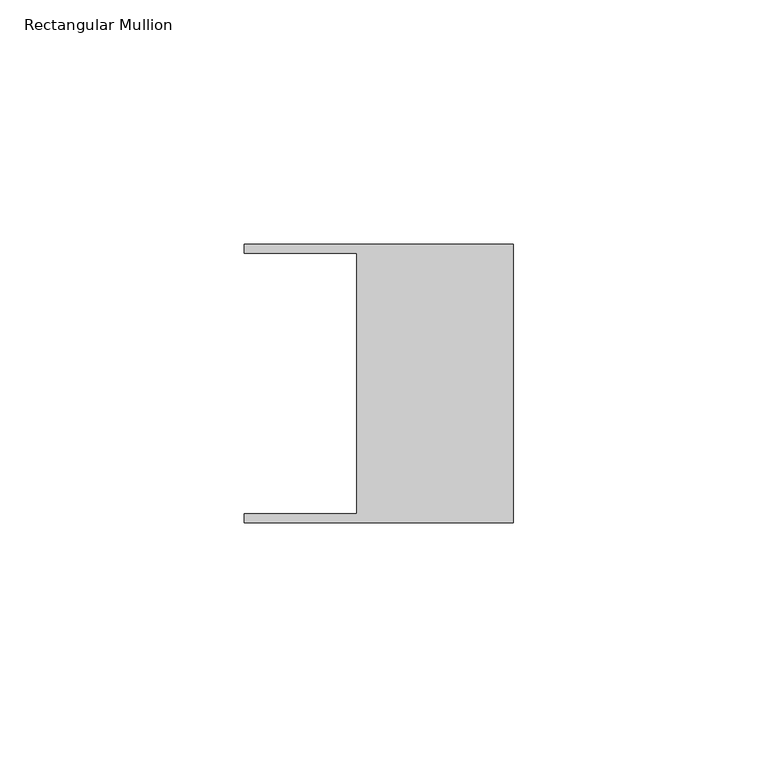
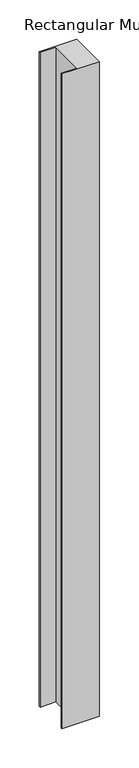
"""IFC4 building model written with IfcOpenShell, lengths in millimetres: member geometry, Rectangular Mullion."""

from ifc_helpers import new_model, si_unit, frame, origin, place, context, project, spatial, polyline, outline, extrude, source, transform, mapped, element, save


def rectangular_mullion_edef0de7(model_context):
    return source(origin(), model_context, "Body", "SweptSolid", [
        extrude(outline(polyline([(-32.004, -26.67), (-32.004, 26.67), (-54.991, 26.67), (-54.991, 28.448), (0.0, 28.448), (0.0, -28.448), (-54.991, -28.448), (-54.991, -26.67), (-32.004, -26.67)])), frame((0.0, 0.0, -1015.985574), z_axis=(0.0, 0.0, 1.0), x_axis=(1.0, 0.0, 0.0)), (0.0, 0.0, 1.0), 1015.985574),
    ])


if __name__ == "__main__":
    model = new_model("IFC4")
    model_context = context("Model", 3, world=origin())
    ifc_project = project(units=[si_unit("LENGTHUNIT", "METRE", prefix="MILLI")], contexts=[model_context])
    site = spatial("IfcSite", under=ifc_project)
    building = spatial("IfcBuilding", under=site)
    placement = place(None, origin())
    rectangular_mullion_shape = rectangular_mullion_edef0de7(model_context)
    element("IfcMember", 1, ObjectType="Rectangular Mullion", at=placement, inside=building, context=model_context, shape_type="MappedRepresentation", body=[
        mapped(rectangular_mullion_shape, transform((0.0, 0.0, 0.0), x_axis=(1.0, 0.0, 0.0), y_axis=(0.0, 1.0, 0.0), z_axis=(0.0, 0.0, 1.0))),
    ])
    save(model, "model.ifc")
